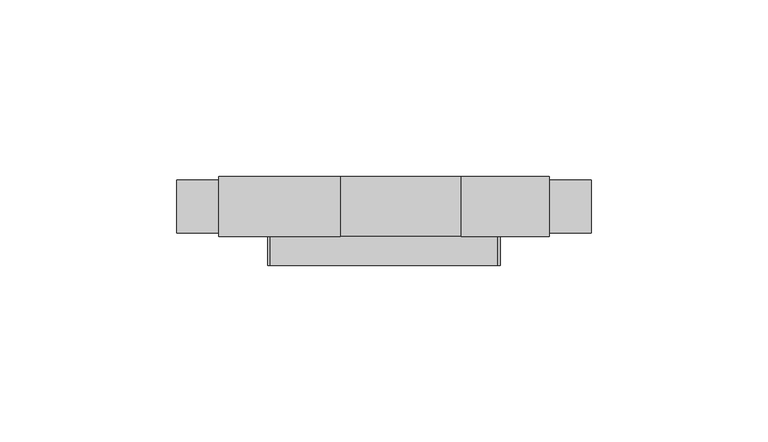
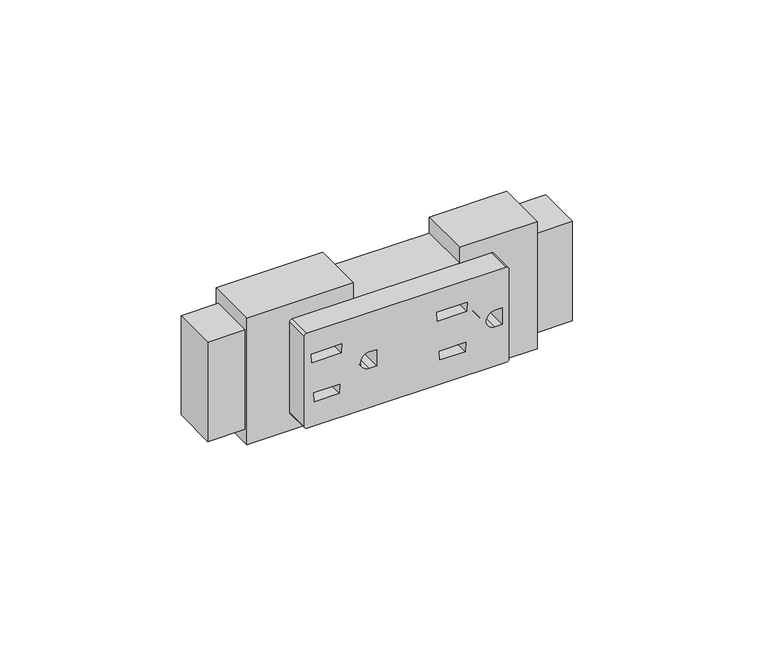
"""IFC4 building model written with IfcOpenShell, lengths in millimetres: furniture geometry."""

import ifcopenshell
import ifcopenshell.guid

model = None  # the IFC model being written
_history = None  # IfcOwnerHistory: only IFC2X3 demands one
_inside = {}  # id of a spatial element -> (the spatial element, [elements in it])
_under = {}  # id of a project, library or spatial element -> (it, [spatial elements below it])
_declared = {}  # id of a project -> (the project, [libraries it declares])
_typed = {}  # id of a type object -> (the type object, [elements of that type])
_made_of = {}  # id of a material, layer set ... -> (it, [elements and type objects made of it])


def new_model(schema):
    """Start an empty IFC model of exactly this schema.

    Asked for "IFC4X3", IfcOpenShell would pick the latest addendum, in which some entities
    have other attributes; the version numbers below select the first issue.
    IFC2X3 requires an IfcOwnerHistory on every rooted entity: one is made here for all.
    """
    global model, _history
    if schema == "IFC4X3":
        model = ifcopenshell.file(schema_version=(4, 3, 0, 0))
    else:
        model = ifcopenshell.file(schema=schema)
    _inside.clear()
    _under.clear()
    _declared.clear()
    _typed.clear()
    _made_of.clear()
    _history = None
    if model.schema == "IFC2X3":
        org = make("IfcOrganization", Name="unknown")
        user = make(
            "IfcPersonAndOrganization",
            ThePerson=make("IfcPerson", FamilyName="unknown"),
            TheOrganization=org,
        )
        app = make(
            "IfcApplication",
            ApplicationDeveloper=org,
            Version="unknown",
            ApplicationFullName="unknown",
            ApplicationIdentifier="unknown",
        )
        _history = make(
            "IfcOwnerHistory",
            OwningUser=user,
            OwningApplication=app,
            ChangeAction="ADDED",
            CreationDate=0,
        )
    return model


def make(cls, **values):
    """One entity of the class cls with the attributes given. An attribute that is None is left unset."""
    return model.create_entity(
        cls, **{name: value for name, value in values.items() if value is not None}
    )


def rooted(cls, **values):
    """An entity with a GlobalId (a new one), such as an element, a storey or a relation."""
    return make(cls, GlobalId=ifcopenshell.guid.new(), OwnerHistory=_history, **values)


def si_unit(unit_type, name, prefix=None):
    """IfcSIUnit, for example si_unit("LENGTHUNIT", "METRE", prefix="MILLI")."""
    return make("IfcSIUnit", UnitType=unit_type, Prefix=prefix, Name=name)


def assignment(units):
    """IfcUnitAssignment: the units of a project."""
    return None if units is None else make("IfcUnitAssignment", Units=units)


def point(xyz):
    """IfcCartesianPoint."""
    return None if xyz is None else make("IfcCartesianPoint", Coordinates=xyz)


def direction(xyz):
    """IfcDirection."""
    return None if xyz is None else make("IfcDirection", DirectionRatios=xyz)


def frame(location, z_axis=None, x_axis=None):
    """IfcAxis2Placement3D, a coordinate frame: its origin and axes. An axis left out is left unset."""
    return make(
        "IfcAxis2Placement3D",
        Location=point(location),
        Axis=direction(z_axis),
        RefDirection=direction(x_axis),
    )


def origin():
    """The frame at (0, 0, 0) with its axes left unset."""
    return frame((0.0, 0.0, 0.0))


def place(relative_to, where):
    """IfcLocalPlacement: puts the frame where relative to a parent placement (None: the world)."""
    return make(
        "IfcLocalPlacement", PlacementRelTo=relative_to, RelativePlacement=where
    )


def context(
    kind, dimensions, precision=None, world=None, true_north=None, identifier=None
):
    """IfcGeometricRepresentationContext, for example the 3D "Model" context."""
    return make(
        "IfcGeometricRepresentationContext",
        ContextIdentifier=identifier,
        ContextType=kind,
        CoordinateSpaceDimension=dimensions,
        Precision=precision,
        WorldCoordinateSystem=world,
        TrueNorth=true_north,
    )


def project(units=None, contexts=None):
    """IfcProject with its units and contexts."""
    return rooted(
        "IfcProject",
        Name="project",
        RepresentationContexts=contexts,
        UnitsInContext=assignment(units),
    )


def spatial(cls, under=None, at=None, **own):
    """A site, building, storey or space (cls), placed at a placement, below another one or the project."""
    s = rooted(cls, ObjectPlacement=at, **own)
    if under is not None:
        _under.setdefault(under.id(), (under, []))[1].append(s)
    return s


def polyline(points):
    """IfcPolyline through the points."""
    return make("IfcPolyline", Points=[point(p) for p in points])


def circle_curve(where, radius):
    """IfcCircle in the frame where."""
    return make("IfcCircle", Position=where, Radius=radius)


def faces_of(points, faces, orient=None, outer=None):
    """IfcFace entities. A face is a list of loops; a loop is a list of indices into points, from 0.

    orient and outer hold one flag for each loop. By default every Orientation is true, the
    first loop of a face is its IfcFaceOuterBound and the others are IfcFaceBound.
    """
    made = []
    for i, loops in enumerate(faces):
        bounds = []
        for j, loop in enumerate(loops):
            is_outer = j == 0 if outer is None else outer[i][j]
            bounds.append(
                make(
                    "IfcFaceOuterBound" if is_outer else "IfcFaceBound",
                    Bound=make("IfcPolyLoop", Polygon=[points[k] for k in loop]),
                    Orientation=True if orient is None else orient[i][j],
                )
            )
        made.append(make("IfcFace", Bounds=bounds))
    return made


def faceted_brep(points, faces, orient=None, outer=None, voids=None):
    """IfcFacetedBrep: a solid bounded by flat faces; with voids (closed shells), ...WithVoids."""
    shared = [point(p) for p in points]
    hull = make("IfcClosedShell", CfsFaces=faces_of(shared, faces, orient, outer))
    if voids is None:
        return make("IfcFacetedBrep", Outer=hull)
    return make(
        "IfcFacetedBrepWithVoids",
        Outer=hull,
        Voids=[
            make(cls, CfsFaces=faces_of(shared, fs, o, b)) for cls, fs, o, b in voids
        ],
    )


def shape(context_of_items, identifier, shape_type, items):
    """IfcShapeRepresentation: the items that make up one representation, for example the "Body"."""
    return make(
        "IfcShapeRepresentation",
        ContextOfItems=context_of_items,
        RepresentationIdentifier=identifier,
        RepresentationType=shape_type,
        Items=items,
    )


def source(mapping_origin, context_of_items, identifier, shape_type, items):
    """IfcRepresentationMap: a shape defined once, which mapped items show again and again."""
    return make(
        "IfcRepresentationMap",
        MappingOrigin=mapping_origin,
        MappedRepresentation=shape(context_of_items, identifier, shape_type, items),
    )


def transform(
    local_origin,
    x_axis=None,
    y_axis=None,
    z_axis=None,
    scale=None,
    scale2=None,
    scale3=None,
    uniform=True,
):
    """IfcCartesianTransformationOperator3D, or its non-uniform kind. x_axis, y_axis, z_axis: its Axis1, 2, 3."""
    if uniform:
        return make(
            "IfcCartesianTransformationOperator3D",
            Axis1=direction(x_axis),
            Axis2=direction(y_axis),
            LocalOrigin=point(local_origin),
            Scale=scale,
            Axis3=direction(z_axis),
        )
    return make(
        "IfcCartesianTransformationOperator3DnonUniform",
        Axis1=direction(x_axis),
        Axis2=direction(y_axis),
        LocalOrigin=point(local_origin),
        Scale=scale,
        Axis3=direction(z_axis),
        Scale2=scale2,
        Scale3=scale3,
    )


def mapped(mapping_source, mapping_target):
    """IfcMappedItem: shows the shape of a source again, moved by a transform."""
    return make(
        "IfcMappedItem", MappingSource=mapping_source, MappingTarget=mapping_target
    )


def made_of(thing, what):
    """Note that an element or type object is made of a material, layer set ...; save() writes the relation."""
    if what is not None:
        _made_of.setdefault(what.id(), (what, []))[1].append(thing)
    return thing


def element(
    cls,
    number,
    at=None,
    inside=None,
    cuts=None,
    type_object=None,
    material=None,
    context=None,
    identifier="Body",
    shape_type=None,
    held_by="IfcProductDefinitionShape",
    body=None,
    shapes=None,
    **own,
):
    """One element of the class cls, such as IfcWall. Its Tag is "e" and its number.

    at: its placement. inside: the storey or other place that contains it. cuts: it is an
    opening in that element (IfcRelVoidsElement). A single representation is given by context,
    identifier, shape_type and body (its items); several are given by shapes. held_by: the class
    of the entity that holds the representations. save() writes the other relations.
    """
    e = rooted(cls, Tag="e%d" % number, ObjectPlacement=at, **own)
    if body is not None:
        shapes = [shape(context, identifier, shape_type, body)]
    if shapes is not None:
        e.Representation = make(held_by, Representations=shapes)
    if inside is not None:
        _inside.setdefault(inside.id(), (inside, []))[1].append(e)
    if cuts is not None:
        rooted(
            "IfcRelVoidsElement", RelatingBuildingElement=cuts, RelatedOpeningElement=e
        )
    if type_object is not None:
        _typed.setdefault(type_object.id(), (type_object, []))[1].append(e)
    return made_of(e, material)


def aggregate(whole, parts):
    """IfcRelAggregates: a whole, such as a stair, and the parts it consists of."""
    return rooted("IfcRelAggregates", RelatingObject=whole, RelatedObjects=parts)


def save(model, path):
    """Write the relations noted so far, then the file.

    IfcRelAggregates (storeys below a building ...), IfcRelContainedInSpatialStructure (elements
    in a storey), IfcRelDefinesByType, IfcRelAssociatesMaterial and IfcRelDeclares: one each for
    every whole, place, type object, material and project.
    """
    for whole, parts in _under.values():
        aggregate(whole, parts)
    for where, things in _inside.values():
        rooted(
            "IfcRelContainedInSpatialStructure",
            RelatedElements=things,
            RelatingStructure=where,
        )
    for kind, things in _typed.values():
        rooted("IfcRelDefinesByType", RelatedObjects=things, RelatingType=kind)
    for what, things in _made_of.values():
        rooted("IfcRelAssociatesMaterial", RelatedObjects=things, RelatingMaterial=what)
    for by, libraries in _declared.values():
        rooted("IfcRelDeclares", RelatingContext=by, RelatedDefinitions=libraries)
    model.write(path)


def plane_surface(at):
    """IfcPlane: the flat surface through the origin of the frame at, square to its z axis."""
    return make("IfcPlane", Position=at)


def cylinder_surface(at, radius):
    """IfcCylindricalSurface: all points at the distance radius from the z axis of the frame at."""
    return make("IfcCylindricalSurface", Position=at, Radius=radius)


def revolved_surface(curve, axis_point, axis_direction):
    """IfcSurfaceOfRevolution: the curve turned about the line through axis_point along axis_direction."""
    return make(
        "IfcSurfaceOfRevolution",
        SweptCurve=make("IfcArbitraryOpenProfileDef", ProfileType="CURVE", Curve=curve),
        AxisPosition=make("IfcAxis1Placement", Location=point(axis_point), Axis=direction(axis_direction)),
    )


def advanced_brep(points, edges, surfaces, faces):
    """IfcAdvancedBrep: a solid bounded by faces that lie on surfaces and meet in shared edges.

    An edge is (start, end): straight between two places in points (the first is 0);
    or (start, end, curve); or (start, end, curve, False) where it runs against its curve.
    A face is (place in surfaces, loops), or (place, loops, False) where it looks against
    its surface's normal. A loop lists edges by number (the first is 1), with a minus sign
    where the edge is run from its end to its start. The first loop is the outer one.
    """
    corners = [point(p) for p in points]
    vertices = [make("IfcVertexPoint", VertexGeometry=c) for c in corners]
    made = []
    for start, end, *more in edges:
        made.append(
            make(
                "IfcEdgeCurve",
                EdgeStart=vertices[start],
                EdgeEnd=vertices[end],
                EdgeGeometry=more[0] if more else make("IfcPolyline", Points=[corners[start], corners[end]]),
                SameSense=more[1] if len(more) > 1 else True,
            )
        )
    hull = []
    for where, loops, *sense in faces:
        bounds = []
        for j, loop in enumerate(loops):
            ring = [make("IfcOrientedEdge", EdgeElement=made[abs(k) - 1], Orientation=k > 0) for k in loop]
            bounds.append(
                make(
                    "IfcFaceOuterBound" if j == 0 else "IfcFaceBound",
                    Bound=make("IfcEdgeLoop", EdgeList=ring),
                    Orientation=True,
                )
            )
        hull.append(make("IfcAdvancedFace", Bounds=bounds, FaceSurface=surfaces[where], SameSense=sense[0] if sense else True))
    return make("IfcAdvancedBrep", Outer=make("IfcClosedShell", CfsFaces=hull))


def furniture_8dfe44c1(model_context):
    return source(origin(), model_context, "Body", "SolidModel", [
        advanced_brep(
        [(32.1437184, -8.1280002, 576.3672538), (32.9056995, -8.1280002, 577.1292349), (32.9056995, -8.1280002, 607.8707229), (32.1454361, -8.1280002, 608.6309863), (-32.1437184, -8.1280002, 608.6760375), (-32.9056995, -8.1280002, 607.9140564), (-32.9056995, -8.1280002, 577.1292349), (-32.1437184, -8.1280002, 576.3672538), (-29.9246309, -8.1280002, 587.6273586), (-21.4953586, -8.1280002, 587.7034441), (-21.6251063, -8.1280002, 584.6394233), (-29.7494423, -8.1280002, 584.6394233), (-30.5412497, -8.1280002, 598.1441222), (-30.7179061, -8.1280002, 601.1570924), (-20.9256599, -8.1280002, 601.1570924), (-21.0532457, -8.1280002, 598.1441222), (10.5815994, -8.1280002, 587.6273586), (19.0108706, -8.1280002, 587.7034441), (18.881124, -8.1280002, 584.6394233), (10.756788, -8.1280002, 584.6394233), (9.9649807, -8.1280002, 598.1441222), (9.7883242, -8.1280002, 601.1570924), (19.5805704, -8.1280002, 601.1570924), (19.4529846, -8.1280002, 598.1441222), (-9.6269128, -8.1280002, 595.2925158), (-9.6269128, -8.1280002, 589.7507392), (-12.0211719, -8.1280002, 589.7507392), (-12.0211719, -8.1280002, 595.2925158), (30.8793175, -8.1280002, 595.2925158), (30.8793175, -8.1280002, 589.7507392), (28.4850573, -8.1280002, 589.7507392), (28.4850573, -8.1280002, 595.2925158), (32.1437184, 0.0, 576.3672538), (-32.1437184, 0.0, 576.3672538), (-32.9056995, 0.0, 577.1292349), (-32.9056995, 0.0, 607.9140564), (-32.1437184, 0.0, 608.6760375), (32.1454361, 0.0, 608.6760375), (32.9056995, 0.0, 607.8707229), (32.9056995, 0.0, 577.1292349), (-29.9246309, 0.0, 587.6273586), (-29.7494423, 0.0, 584.6394233), (-21.6251063, 0.0, 584.6394233), (-21.4953586, 0.0, 587.7034441), (-30.5412497, 0.0, 598.1441222), (-21.0532457, 0.0, 598.1441222), (-20.9256599, 0.0, 601.1570924), (-30.7179061, 0.0, 601.1570924), (10.5815994, 0.0, 587.6273586), (10.756788, 0.0, 584.6394233), (18.881124, 0.0, 584.6394233), (19.0108706, 0.0, 587.7034441), (9.9649807, 0.0, 598.1441222), (19.4529846, 0.0, 598.1441222), (19.5805704, 0.0, 601.1570924), (9.7883242, 0.0, 601.1570924), (-9.6269128, 0.0, 595.2925158), (-12.0211719, 0.0, 595.2925158), (-12.0211719, 0.0, 589.7507392), (-9.6269128, 0.0, 589.7507392), (30.8793175, 0.0, 595.2925158), (28.4850573, 0.0, 595.2925158), (28.4850573, 0.0, 589.7507392), (30.8793175, 0.0, 589.7507392)],
        [
            (0, 1, circle_curve(frame((32.1437184, -8.1280002, 577.1292349), z_axis=(0.0, -1.0, 0.0), x_axis=(-1.0, 0.0, 0.0)), 0.7619811)),
            (1, 2),
            (2, 3, circle_curve(frame((32.1454361, -8.1280002, 607.8707229), z_axis=(0.0, -1.0, 0.0), x_axis=(-1.0, 0.0, 0.0)), 0.7602634)),
            (3, 4),
            (4, 5, circle_curve(frame((-32.1437184, -8.1280002, 607.9140564), z_axis=(0.0, -1.0, 0.0), x_axis=(-1.0, 0.0, 0.0)), 0.7619811)),
            (5, 6),
            (6, 7, circle_curve(frame((-32.1437184, -8.1280002, 577.1292349), z_axis=(0.0, -1.0, 0.0), x_axis=(-1.0, 0.0, 0.0)), 0.7619811)),
            (7, 0),
            (8, 9),
            (9, 10),
            (10, 11),
            (11, 8),
            (12, 13),
            (13, 14),
            (14, 15),
            (15, 12),
            (16, 17),
            (17, 18),
            (18, 19),
            (19, 16),
            (20, 21),
            (21, 22),
            (22, 23),
            (23, 20),
            (24, 25),
            (25, 26),
            (26, 27, circle_curve(frame((-12.0211719, -8.1280002, 592.5216275), z_axis=(0.0, 1.0, 0.0), x_axis=(-1.0, 0.0, 0.0)), 2.7708883)),
            (27, 24),
            (28, 29),
            (29, 30),
            (30, 31, circle_curve(frame((28.4850573, -8.1280002, 592.5216275), z_axis=(0.0, 1.0, 0.0), x_axis=(-1.0, 0.0, 0.0)), 2.7708883)),
            (31, 28),
            (32, 33),
            (33, 34, circle_curve(frame((-32.1437184, 0.0, 577.1292349), z_axis=(0.0, 1.0, 0.0), x_axis=(-1.0, 0.0, 0.0)), 0.7619811)),
            (34, 35),
            (35, 36, circle_curve(frame((-32.1437184, 0.0, 607.9140564), z_axis=(0.0, 1.0, 0.0), x_axis=(-1.0, 0.0, 0.0)), 0.7619811)),
            (36, 37),
            (37, 38, circle_curve(frame((32.1454361, 0.0, 607.8707229), z_axis=(0.0, 1.0, 0.0), x_axis=(-1.0, 0.0, 0.0)), 0.7602634)),
            (38, 39),
            (39, 32, circle_curve(frame((32.1437184, 0.0, 577.1292349), z_axis=(0.0, 1.0, 0.0), x_axis=(-1.0, 0.0, 0.0)), 0.7619811)),
            (40, 41),
            (41, 42),
            (42, 43),
            (43, 40),
            (44, 45),
            (45, 46),
            (46, 47),
            (47, 44),
            (48, 49),
            (49, 50),
            (50, 51),
            (51, 48),
            (52, 53),
            (53, 54),
            (54, 55),
            (55, 52),
            (56, 57),
            (57, 58, circle_curve(frame((-12.0211719, 0.0, 592.5216275), z_axis=(0.0, -1.0, 0.0), x_axis=(-1.0, 0.0, 0.0)), 2.7708883)),
            (58, 59),
            (59, 56),
            (60, 61),
            (61, 62, circle_curve(frame((28.4850573, 0.0, 592.5216275), z_axis=(0.0, -1.0, 0.0), x_axis=(-1.0, 0.0, 0.0)), 2.7708883)),
            (62, 63),
            (63, 60),
            (0, 32),
            (39, 1),
            (38, 2),
            (37, 3),
            (36, 4),
            (35, 5),
            (34, 6),
            (33, 7),
            (8, 40),
            (43, 9),
            (42, 10),
            (41, 11),
            (12, 44),
            (47, 13),
            (46, 14),
            (45, 15),
            (16, 48),
            (51, 17),
            (50, 18),
            (49, 19),
            (20, 52),
            (55, 21),
            (54, 22),
            (53, 23),
            (24, 56),
            (59, 25),
            (58, 26),
            (57, 27),
            (28, 60),
            (63, 29),
            (62, 30),
            (61, 31),
        ],
        [
            plane_surface(frame((0.0, -8.1280002, 592.5216456), z_axis=(0.0, -1.0, 0.0), x_axis=(0.0, 0.0, 1.0))),
            plane_surface(frame((0.0, 0.0, 592.5216456), z_axis=(0.0, 1.0, 0.0), x_axis=(0.0, 0.0, 1.0))),
            cylinder_surface(frame((32.1437184, -8.1280002, 577.1292349), z_axis=(0.0, -1.0, 0.0), x_axis=(-1.0, 0.0, 0.0)), 0.7619811),
            plane_surface(frame((32.9056995, -8.1280002, 577.1292349), z_axis=(1.0, 0.0, 0.0), x_axis=(0.0, 1.0, 0.0))),
            cylinder_surface(frame((32.1454361, -8.1280002, 607.8707229), z_axis=(0.0, -1.0, 0.0), x_axis=(-1.0, 0.0, 0.0)), 0.7602634),
            plane_surface(frame((32.1454361, -8.1280002, 608.6760375), z_axis=(0.0, 0.0, 1.0), x_axis=(0.0, 1.0, 0.0))),
            cylinder_surface(frame((-32.1437184, -8.1280002, 607.9140564), z_axis=(0.0, -1.0, 0.0), x_axis=(-1.0, 0.0, 0.0)), 0.7619811),
            plane_surface(frame((-32.9056995, -8.1280002, 607.9140564), z_axis=(-1.0, 0.0, 0.0), x_axis=(0.0, 1.0, 0.0))),
            cylinder_surface(frame((-32.1437184, -8.1280002, 577.1292349), z_axis=(0.0, -1.0, 0.0), x_axis=(-1.0, 0.0, 0.0)), 0.7619811),
            plane_surface(frame((-32.1437184, -8.1280002, 576.3672538), z_axis=(0.0, 0.0, -1.0), x_axis=(0.0, 1.0, 0.0))),
            plane_surface(frame((-29.9246309, -8.1280002, 587.6273586), z_axis=(0.009025973419650923, 0.0, -0.9999592650722468), x_axis=(0.0, 1.0, 0.0))),
            plane_surface(frame((-21.4953586, -8.1280002, 587.7034441), z_axis=(-0.9991046302588076, 0.0, 0.04230765646323739), x_axis=(0.0, 1.0, 0.0))),
            plane_surface(frame((-21.6251063, -8.1280002, 584.6394233), z_axis=(0.0, 0.0, 1.0), x_axis=(0.0, 1.0, 0.0))),
            plane_surface(frame((-29.7494423, -8.1280002, 584.6394233), z_axis=(0.9982855640216858, 0.0, 0.0585314673137855), x_axis=(0.0, 1.0, 0.0))),
            plane_surface(frame((-30.5412497, -8.1280002, 598.1441222), z_axis=(0.9982855640216858, 0.0, 0.0585314673137855), x_axis=(0.0, 1.0, 0.0))),
            plane_surface(frame((-30.7179061, -8.1280002, 601.1570924), z_axis=(0.0, 0.0, -1.0), x_axis=(0.0, 1.0, 0.0))),
            plane_surface(frame((-20.9256599, -8.1280002, 601.1570924), z_axis=(-0.9991046325364711, 0.0, 0.04230760267568017), x_axis=(0.0, 1.0, 0.0))),
            plane_surface(frame((-21.0532457, -8.1280002, 598.1441222), z_axis=(0.0, 0.0, 1.0), x_axis=(0.0, 1.0, 0.0))),
            plane_surface(frame((10.5815994, -8.1280002, 587.6273586), z_axis=(0.009025973419650923, 0.0, -0.9999592650722468), x_axis=(0.0, 1.0, 0.0))),
            plane_surface(frame((19.0108706, -8.1280002, 587.7034441), z_axis=(-0.9991046459090978, 0.0, 0.042307286876569365), x_axis=(0.0, 1.0, 0.0))),
            plane_surface(frame((18.881124, -8.1280002, 584.6394233), z_axis=(0.0, 0.0, 1.0), x_axis=(0.0, 1.0, 0.0))),
            plane_surface(frame((10.756788, -8.1280002, 584.6394233), z_axis=(0.9982855640216858, 0.0, 0.0585314673137855), x_axis=(0.0, 1.0, 0.0))),
            plane_surface(frame((9.9649807, -8.1280002, 598.1441222), z_axis=(0.9982855640216858, 0.0, 0.0585314673137855), x_axis=(0.0, 1.0, 0.0))),
            plane_surface(frame((9.7883242, -8.1280002, 601.1570924), z_axis=(0.0, 0.0, -1.0), x_axis=(0.0, 1.0, 0.0))),
            plane_surface(frame((19.5805704, -8.1280002, 601.1570924), z_axis=(-0.9991046325364711, 0.0, 0.04230760267568017), x_axis=(0.0, 1.0, 0.0))),
            plane_surface(frame((19.4529846, -8.1280002, 598.1441222), z_axis=(0.0, 0.0, 1.0), x_axis=(0.0, 1.0, 0.0))),
            plane_surface(frame((-9.6269128, -8.1280002, 595.2925158), z_axis=(-1.0, 0.0, 0.0), x_axis=(0.0, 1.0, 0.0))),
            plane_surface(frame((-9.6269128, -8.1280002, 589.7507392), z_axis=(0.0, 0.0, 1.0), x_axis=(0.0, 1.0, 0.0))),
            revolved_surface(polyline([(-14.792060200000002, 0.0, 592.5216275), (-14.792060200000002, -8.1280002, 592.5216275)]), (-12.0211719, -8.1280002, 592.5216275), (0.0, 1.0, 0.0)),
            plane_surface(frame((-12.0211719, -8.1280002, 595.2925158), z_axis=(0.0, 0.0, -1.0), x_axis=(0.0, 1.0, 0.0))),
            plane_surface(frame((30.8793175, -8.1280002, 595.2925158), z_axis=(-1.0, 0.0, 0.0), x_axis=(0.0, 1.0, 0.0))),
            plane_surface(frame((30.8793175, -8.1280002, 589.7507392), z_axis=(0.0, 0.0, 1.0), x_axis=(0.0, 1.0, 0.0))),
            revolved_surface(polyline([(25.714169000000002, 0.0, 592.5216275), (25.714169000000002, -8.1280002, 592.5216275)]), (28.4850573, -8.1280002, 592.5216275), (0.0, 1.0, 0.0)),
            plane_surface(frame((28.4850573, -8.1280002, 595.2925158), z_axis=(0.0, 0.0, -1.0), x_axis=(0.0, 1.0, 0.0))),
        ],
        [
            (0, [[1, 2, 3, 4, 5, 6, 7, 8], [9, 10, 11, 12], [13, 14, 15, 16], [17, 18, 19, 20], [21, 22, 23, 24], [25, 26, 27, 28], [29, 30, 31, 32]]),
            (1, [[33, 34, 35, 36, 37, 38, 39, 40], [41, 42, 43, 44], [45, 46, 47, 48], [49, 50, 51, 52], [53, 54, 55, 56], [57, 58, 59, 60], [61, 62, 63, 64]]),
            (2, [[-1, 65, -40, 66]]),
            (3, [[-2, -66, -39, 67]]),
            (4, [[-3, -67, -38, 68]]),
            (5, [[-4, -68, -37, 69]]),
            (6, [[-5, -69, -36, 70]]),
            (7, [[-6, -70, -35, 71]]),
            (8, [[-7, -71, -34, 72]]),
            (9, [[-8, -72, -33, -65]]),
            (10, [[-9, 73, -44, 74]]),
            (11, [[-10, -74, -43, 75]]),
            (12, [[-11, -75, -42, 76]]),
            (13, [[-12, -76, -41, -73]]),
            (14, [[-13, 77, -48, 78]]),
            (15, [[-14, -78, -47, 79]]),
            (16, [[-15, -79, -46, 80]]),
            (17, [[-16, -80, -45, -77]]),
            (18, [[-17, 81, -52, 82]]),
            (19, [[-18, -82, -51, 83]]),
            (20, [[-19, -83, -50, 84]]),
            (21, [[-20, -84, -49, -81]]),
            (22, [[-21, 85, -56, 86]]),
            (23, [[-22, -86, -55, 87]]),
            (24, [[-23, -87, -54, 88]]),
            (25, [[-24, -88, -53, -85]]),
            (26, [[-25, 89, -60, 90]]),
            (27, [[-26, -90, -59, 91]]),
            (28, [[-27, -91, -58, 92]]),
            (29, [[-28, -92, -57, -89]]),
            (30, [[-29, 93, -64, 94]]),
            (31, [[-30, -94, -63, 95]]),
            (32, [[-31, -95, -62, 96]]),
            (33, [[-32, -96, -61, -93]]),
        ],
    ),
        faceted_brep([(-46.7995008, 17.0179997, 570.9316481), (-46.7995008, 17.0179997, 614.1116432), (-12.4333004, 17.0179997, 614.1116432), (-12.4333004, 17.0179997, 608.6760375), (21.9074995, 17.0179997, 608.6760375), (21.9074995, 17.0179997, 614.1116432), (46.7995008, 17.0179997, 614.1116432), (46.7995008, 17.0179997, 570.9316481), (21.9074995, 17.0179997, 570.9316481), (21.9074995, 17.0179997, 576.3672538), (-12.4333004, 17.0179997, 576.3672538), (-12.4333004, 17.0179997, 570.9316481), (-46.7995008, 0.0, 614.1116432), (-46.7995008, 0.0, 570.9316481), (-12.4333004, 0.0, 570.9316481), (-12.4333004, 0.0, 576.3672538), (21.9074995, 0.0, 576.3672538), (21.9074995, 0.0, 570.9316481), (46.7995008, 0.0, 570.9316481), (46.7995008, 0.0, 614.1116432), (21.9074995, 0.0, 614.1116432), (21.9074995, 0.0, 608.6760375), (-12.4333004, 0.0, 608.6760375), (-12.4333004, 0.0, 614.1116432), (-58.6867022, 15.9511998, 575.5925554), (-58.6867022, 0.9906, 575.5925554), (-58.6867022, 0.9906, 609.4507359), (-58.6867022, 15.9511998, 609.4507359), (-46.7995008, 0.9906, 609.4507359), (-46.7995008, 15.9511998, 609.4507359), (-46.7995008, 0.9906, 575.5925554), (-46.7995008, 15.9511998, 575.5925554), (46.7995008, 15.9511998, 609.4507359), (46.7995008, 15.9511998, 575.5925554), (46.7995008, 0.9906, 575.5925554), (46.7995008, 0.9906, 609.4507359), (58.6867022, 0.9906, 609.4507359), (58.6867022, 15.9511998, 609.4507359), (58.6867022, 0.9906, 575.5925554), (58.6867022, 15.9511998, 575.5925554)], [[[0, 1, 2, 3, 4, 5, 6, 7, 8, 9, 10, 11]], [[12, 13, 14, 15, 16, 17, 18, 19, 20, 21, 22, 23]], [[24, 25, 26, 27]], [[27, 26, 28, 29]], [[0, 13, 12, 1], [28, 30, 31, 29]], [[2, 1, 12, 23]], [[3, 2, 23, 22]], [[4, 3, 22, 21]], [[5, 4, 21, 20]], [[6, 5, 20, 19]], [[6, 19, 18, 7], [32, 33, 34, 35]], [[32, 35, 36, 37]], [[37, 36, 38, 39]], [[39, 38, 34, 33]], [[8, 7, 18, 17]], [[9, 8, 17, 16]], [[10, 9, 16, 15]], [[11, 10, 15, 14]], [[0, 11, 14, 13]], [[25, 24, 31, 30]], [[29, 31, 24, 27]], [[30, 28, 26, 25]], [[35, 34, 38, 36]], [[33, 32, 37, 39]]]),
    ])


if __name__ == "__main__":
    model = new_model("IFC4")
    model_context = context("Model", 3, world=origin())
    ifc_project = project(units=[si_unit("LENGTHUNIT", "METRE", prefix="MILLI")], contexts=[model_context])
    site = spatial("IfcSite", under=ifc_project)
    building = spatial("IfcBuilding", under=site)
    placement = place(None, origin())
    furniture_shape = furniture_8dfe44c1(model_context)
    element("IfcFurniture", 1, at=placement, inside=building, context=model_context, shape_type="MappedRepresentation", body=[
        mapped(furniture_shape, transform((0.0, 0.0, 0.0), x_axis=(1.0, 0.0, 0.0), y_axis=(0.0, 1.0, 0.0), z_axis=(0.0, 0.0, 1.0))),
    ])
    save(model, "model.ifc")
